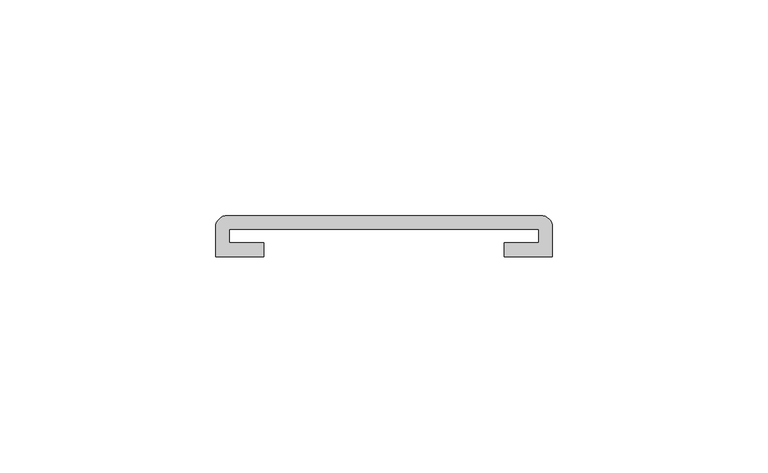
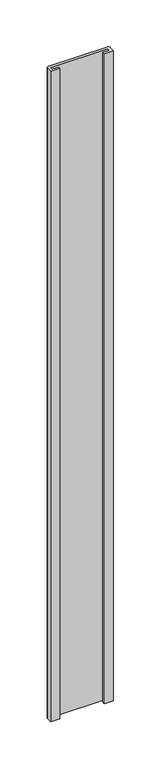
"""IFC4 building model written with IfcOpenShell, lengths in millimetres: furniture geometry."""

from ifc_helpers import new_model, si_unit, point, frame, frame_2d, origin, place, context, project, spatial, polyline, circle_curve, trimmed, segment, composite_curve, outline, extrude, source, transform, mapped, element, save


def furniture_f50a2023(model_context):
    return source(origin(), model_context, "Body", "SweptSolid", [
        extrude(outline(composite_curve([segment(polyline([(-39.0921875, 29.5671875), (-39.0921875, 36.3108875)]), True, "CONTINUOUS"), segment(trimmed(circle_curve(frame_2d((-36.3108875, 36.3108875)), 2.7813), [point((-39.0921875, 36.3108875))], [point((-36.3108875, 39.0921875))], False, "CARTESIAN"), True, "CONTINUOUS"), segment(polyline([(-36.3108875, 39.0921875), (36.3331141, 39.0921875)]), True, "CONTINUOUS"), segment(trimmed(circle_curve(frame_2d((36.3331141, 36.3330253)), 2.7591622), [point((36.3331141, 39.0921875))], [point((39.0921875, 36.3108875))], False, "CARTESIAN"), True, "CONTINUOUS"), segment(polyline([(39.0921875, 36.3108875), (39.0921875, 29.5671875), (27.9161879, 29.5671875), (27.9161879, 32.7421875), (35.9171875, 32.7421875), (35.9171875, 35.9171875), (-35.9171875, 35.9171875), (-35.9171875, 32.7421875), (-27.9161879, 32.7421875), (-27.9161879, 29.5671875), (-39.0921875, 29.5671875)]), True, "CONTINUOUS")], self_intersect=False)), frame((0.0, 0.0, 14.2875), z_axis=(0.0, 0.0, 1.0), x_axis=(1.0, 0.0, 0.0)), (0.0, 0.0, 1.0), 857.1507813),
    ])


if __name__ == "__main__":
    model = new_model("IFC4")
    model_context = context("Model", 3, world=origin())
    ifc_project = project(units=[si_unit("LENGTHUNIT", "METRE", prefix="MILLI")], contexts=[model_context])
    site = spatial("IfcSite", under=ifc_project)
    building = spatial("IfcBuilding", under=site)
    placement = place(None, origin())
    furniture_shape = furniture_f50a2023(model_context)
    element("IfcFurniture", 1, at=placement, inside=building, context=model_context, shape_type="MappedRepresentation", body=[
        mapped(furniture_shape, transform((0.0, 0.0, 0.0), x_axis=(1.0, 0.0, 0.0), y_axis=(0.0, 1.0, 0.0), z_axis=(0.0, 0.0, 1.0))),
    ])
    save(model, "model.ifc")
